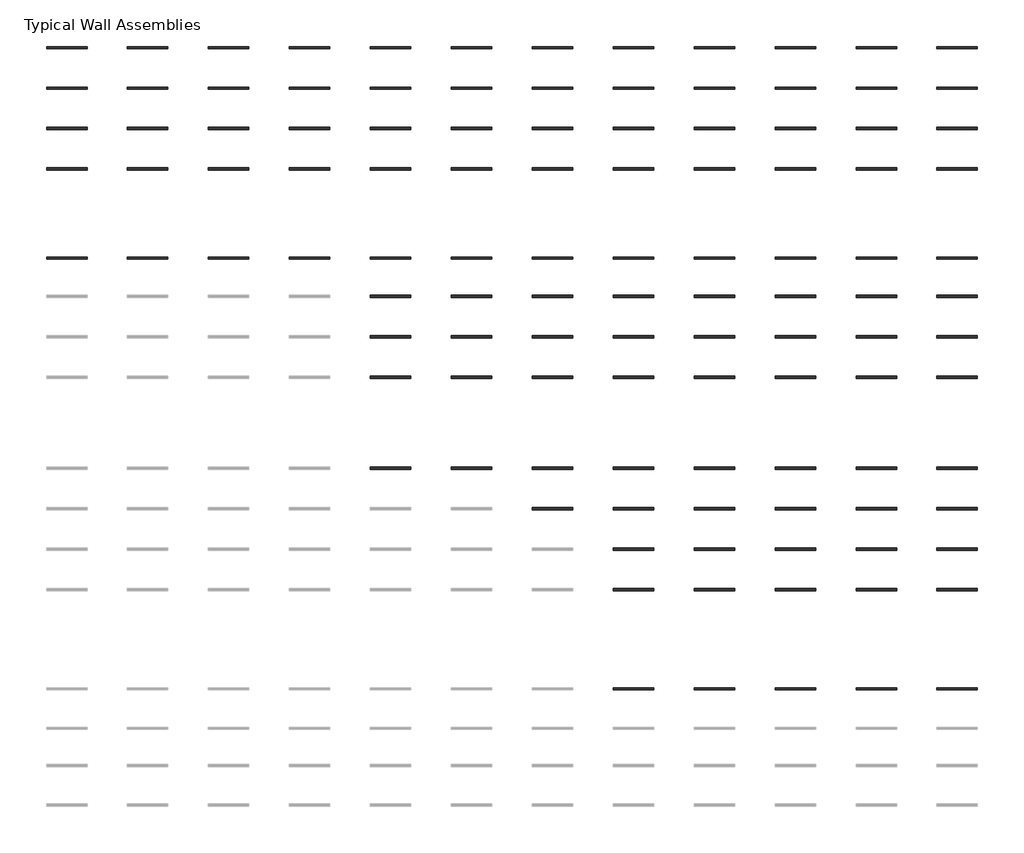
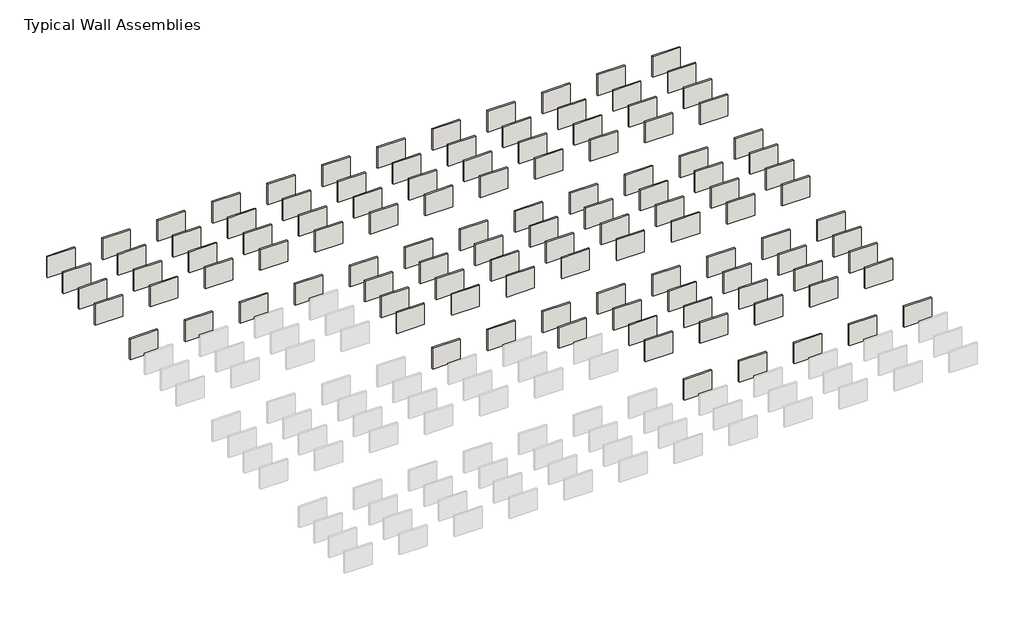
# One storey, part 3 of 3: 113 walls.
"""IFC4 building model written with IfcOpenShell, lengths in millimetres."""

from ifc_helpers import new_model, si_unit, frame, origin, place, context, project, spatial, polyline, outline, extrude, element, save

model = new_model("IFC4")

# Units and contexts
model_context = context("Model", 3, world=origin())
ifc_project = project(units=[si_unit("LENGTHUNIT", "METRE", prefix="MILLI")], contexts=[model_context])

# Site, building, storey
site = spatial("IfcSite", under=ifc_project)
building = spatial("IfcBuilding", under=site)
storey = spatial("IfcBuildingStorey", under=building, Name="Typical Wall Assemblies", Elevation=6096.0)

# Walls
placement = place(None, origin())
element("IfcWall", 1, at=placement, inside=storey, context=model_context, shape_type="SweptSolid", body=[
    extrude(outline(polyline([(-21027.125069, 17121.303248), (-24075.125069, 17121.303248), (-24075.125069, 17303.8657469), (-21027.125069, 17303.8657469), (-21027.125069, 17121.303248)])), frame((0.0, 0.0, 6096.0), z_axis=(0.0, 0.0, 1.0), x_axis=(1.0, 0.0, 0.0)), (0.0, 0.0, 1.0), 2438.4),
])
element("IfcWall", 2, at=placement, inside=storey, context=model_context, shape_type="SweptSolid", body=[
    extrude(outline(polyline([(-14931.125069, 17121.303248), (-17979.125069, 17121.303248), (-17979.125069, 17303.8657469), (-14931.125069, 17303.8657469), (-14931.125069, 17121.303248)])), frame((0.0, 0.0, 6096.0), z_axis=(0.0, 0.0, 1.0), x_axis=(1.0, 0.0, 0.0)), (0.0, 0.0, 1.0), 2438.4),
])
element("IfcWall", 3, at=placement, inside=storey, context=model_context, shape_type="SweptSolid", body=[
    extrude(outline(polyline([(-8835.125069, 17121.303248), (-11883.125069, 17121.303248), (-11883.125069, 17303.8657469), (-8835.125069, 17303.8657469), (-8835.125069, 17121.303248)])), frame((0.0, 0.0, 6096.0), z_axis=(0.0, 0.0, 1.0), x_axis=(1.0, 0.0, 0.0)), (0.0, 0.0, 1.0), 2438.4),
])
element("IfcWall", 4, at=placement, inside=storey, context=model_context, shape_type="SweptSolid", body=[
    extrude(outline(polyline([(-2739.125069, 17121.303248), (-5787.125069, 17121.303248), (-5787.125069, 17303.8657469), (-2739.125069, 17303.8657469), (-2739.125069, 17121.303248)])), frame((0.0, 0.0, 6096.0), z_axis=(0.0, 0.0, 1.0), x_axis=(1.0, 0.0, 0.0)), (0.0, 0.0, 1.0), 2438.4),
])
element("IfcWall", 5, at=placement, inside=storey, context=model_context, shape_type="SweptSolid", body=[
    extrude(outline(polyline([(3356.874931, 17121.303248), (308.874931, 17121.303248), (308.874931, 17303.8657469), (3356.874931, 17303.8657469), (3356.874931, 17121.303248)])), frame((0.0, 0.0, 6096.0), z_axis=(0.0, 0.0, 1.0), x_axis=(1.0, 0.0, 0.0)), (0.0, 0.0, 1.0), 2438.4),
])
element("IfcWall", 6, at=placement, inside=storey, context=model_context, shape_type="SweptSolid", body=[
    extrude(outline(polyline([(9452.874931, 17121.303248), (6404.874931, 17121.303248), (6404.874931, 17303.8657469), (9452.874931, 17303.8657469), (9452.874931, 17121.303248)])), frame((0.0, 0.0, 6096.0), z_axis=(0.0, 0.0, 1.0), x_axis=(1.0, 0.0, 0.0)), (0.0, 0.0, 1.0), 2438.4),
])
element("IfcWall", 7, at=placement, inside=storey, context=model_context, shape_type="SweptSolid", body=[
    extrude(outline(polyline([(15548.874931, 17121.303248), (12500.874931, 17121.303248), (12500.874931, 17303.8657469), (15548.874931, 17303.8657469), (15548.874931, 17121.303248)])), frame((0.0, 0.0, 6096.0), z_axis=(0.0, 0.0, 1.0), x_axis=(1.0, 0.0, 0.0)), (0.0, 0.0, 1.0), 2438.4),
])
element("IfcWall", 8, at=placement, inside=storey, context=model_context, shape_type="SweptSolid", body=[
    extrude(outline(polyline([(21644.874931, 17121.303248), (18596.874931, 17121.303248), (18596.874931, 17303.8657469), (21644.874931, 17303.8657469), (21644.874931, 17121.303248)])), frame((0.0, 0.0, 6096.0), z_axis=(0.0, 0.0, 1.0), x_axis=(1.0, 0.0, 0.0)), (0.0, 0.0, 1.0), 2438.4),
])
element("IfcWall", 9, at=placement, inside=storey, context=model_context, shape_type="SweptSolid", body=[
    extrude(outline(polyline([(27740.874931, 17121.303248), (24692.874931, 17121.303248), (24692.874931, 17303.8657469), (27740.874931, 17303.8657469), (27740.874931, 17121.303248)])), frame((0.0, 0.0, 6096.0), z_axis=(0.0, 0.0, 1.0), x_axis=(1.0, 0.0, 0.0)), (0.0, 0.0, 1.0), 2438.4),
])
element("IfcWall", 10, at=placement, inside=storey, context=model_context, shape_type="SweptSolid", body=[
    extrude(outline(polyline([(33836.874931, 17121.303248), (30788.874931, 17121.303248), (30788.874931, 17303.8657469), (33836.874931, 17303.8657469), (33836.874931, 17121.303248)])), frame((0.0, 0.0, 6096.0), z_axis=(0.0, 0.0, 1.0), x_axis=(1.0, 0.0, 0.0)), (0.0, 0.0, 1.0), 2438.4),
])
element("IfcWall", 11, at=placement, inside=storey, context=model_context, shape_type="SweptSolid", body=[
    extrude(outline(polyline([(39932.874931, 17121.303248), (36884.874931, 17121.303248), (36884.874931, 17303.8657469), (39932.874931, 17303.8657469), (39932.874931, 17121.303248)])), frame((0.0, 0.0, 6096.0), z_axis=(0.0, 0.0, 1.0), x_axis=(1.0, 0.0, 0.0)), (0.0, 0.0, 1.0), 2438.4),
])
element("IfcWall", 12, at=placement, inside=storey, context=model_context, shape_type="SweptSolid", body=[
    extrude(outline(polyline([(46028.874931, 17121.303248), (42980.874931, 17121.303248), (42980.874931, 17303.8657469), (46028.874931, 17303.8657469), (46028.874931, 17121.303248)])), frame((0.0, 0.0, 6096.0), z_axis=(0.0, 0.0, 1.0), x_axis=(1.0, 0.0, 0.0)), (0.0, 0.0, 1.0), 2438.4),
])
element("IfcWall", 13, at=placement, inside=storey, context=model_context, shape_type="SweptSolid", body=[
    extrude(outline(polyline([(-21027.125069, 14073.303248), (-24075.125069, 14073.303248), (-24075.125069, 14255.8657469), (-21027.125069, 14255.8657469), (-21027.125069, 14073.303248)])), frame((0.0, 0.0, 6096.0), z_axis=(0.0, 0.0, 1.0), x_axis=(1.0, 0.0, 0.0)), (0.0, 0.0, 1.0), 2438.4),
])
element("IfcWall", 14, at=placement, inside=storey, context=model_context, shape_type="SweptSolid", body=[
    extrude(outline(polyline([(-21027.125069, 11025.303248), (-24075.125069, 11025.303248), (-24075.125069, 11207.8657469), (-21027.125069, 11207.8657469), (-21027.125069, 11025.303248)])), frame((0.0, 0.0, 6096.0), z_axis=(0.0, 0.0, 1.0), x_axis=(1.0, 0.0, 0.0)), (0.0, 0.0, 1.0), 2438.4),
])
element("IfcWall", 15, at=placement, inside=storey, context=model_context, shape_type="SweptSolid", body=[
    extrude(outline(polyline([(-21027.125069, 7977.303248), (-24075.125069, 7977.303248), (-24075.125069, 8159.8657469), (-21027.125069, 8159.8657469), (-21027.125069, 7977.303248)])), frame((0.0, 0.0, 6096.0), z_axis=(0.0, 0.0, 1.0), x_axis=(1.0, 0.0, 0.0)), (0.0, 0.0, 1.0), 2438.4),
])
element("IfcWall", 16, at=placement, inside=storey, context=model_context, shape_type="SweptSolid", body=[
    extrude(outline(polyline([(-21027.125069, 1271.703248), (-24075.125069, 1271.703248), (-24075.125069, 1454.2657469), (-21027.125069, 1454.2657469), (-21027.125069, 1271.703248)])), frame((0.0, 0.0, 6096.0), z_axis=(0.0, 0.0, 1.0), x_axis=(1.0, 0.0, 0.0)), (0.0, 0.0, 1.0), 2438.4),
])
element("IfcWall", 17, at=placement, inside=storey, context=model_context, shape_type="SweptSolid", body=[
    extrude(outline(polyline([(-14931.125069, 14073.303248), (-17979.125069, 14073.303248), (-17979.125069, 14255.8657469), (-14931.125069, 14255.8657469), (-14931.125069, 14073.303248)])), frame((0.0, 0.0, 6096.0), z_axis=(0.0, 0.0, 1.0), x_axis=(1.0, 0.0, 0.0)), (0.0, 0.0, 1.0), 2438.4),
])
element("IfcWall", 18, at=placement, inside=storey, context=model_context, shape_type="SweptSolid", body=[
    extrude(outline(polyline([(-8835.125069, 14073.303248), (-11883.125069, 14073.303248), (-11883.125069, 14255.8657469), (-8835.125069, 14255.8657469), (-8835.125069, 14073.303248)])), frame((0.0, 0.0, 6096.0), z_axis=(0.0, 0.0, 1.0), x_axis=(1.0, 0.0, 0.0)), (0.0, 0.0, 1.0), 2438.4),
])
element("IfcWall", 19, at=placement, inside=storey, context=model_context, shape_type="SweptSolid", body=[
    extrude(outline(polyline([(-2739.125069, 14073.303248), (-5787.125069, 14073.303248), (-5787.125069, 14255.8657469), (-2739.125069, 14255.8657469), (-2739.125069, 14073.303248)])), frame((0.0, 0.0, 6096.0), z_axis=(0.0, 0.0, 1.0), x_axis=(1.0, 0.0, 0.0)), (0.0, 0.0, 1.0), 2438.4),
])
element("IfcWall", 20, at=placement, inside=storey, context=model_context, shape_type="SweptSolid", body=[
    extrude(outline(polyline([(3356.874931, 14073.303248), (308.874931, 14073.303248), (308.874931, 14255.8657469), (3356.874931, 14255.8657469), (3356.874931, 14073.303248)])), frame((0.0, 0.0, 6096.0), z_axis=(0.0, 0.0, 1.0), x_axis=(1.0, 0.0, 0.0)), (0.0, 0.0, 1.0), 2438.4),
])
element("IfcWall", 21, at=placement, inside=storey, context=model_context, shape_type="SweptSolid", body=[
    extrude(outline(polyline([(9452.874931, 14073.303248), (6404.874931, 14073.303248), (6404.874931, 14255.8657469), (9452.874931, 14255.8657469), (9452.874931, 14073.303248)])), frame((0.0, 0.0, 6096.0), z_axis=(0.0, 0.0, 1.0), x_axis=(1.0, 0.0, 0.0)), (0.0, 0.0, 1.0), 2438.4),
])
element("IfcWall", 22, at=placement, inside=storey, context=model_context, shape_type="SweptSolid", body=[
    extrude(outline(polyline([(15548.874931, 14073.303248), (12500.874931, 14073.303248), (12500.874931, 14255.8657469), (15548.874931, 14255.8657469), (15548.874931, 14073.303248)])), frame((0.0, 0.0, 6096.0), z_axis=(0.0, 0.0, 1.0), x_axis=(1.0, 0.0, 0.0)), (0.0, 0.0, 1.0), 2438.4),
])
element("IfcWall", 23, at=placement, inside=storey, context=model_context, shape_type="SweptSolid", body=[
    extrude(outline(polyline([(21644.874931, 14073.303248), (18596.874931, 14073.303248), (18596.874931, 14255.8657469), (21644.874931, 14255.8657469), (21644.874931, 14073.303248)])), frame((0.0, 0.0, 6096.0), z_axis=(0.0, 0.0, 1.0), x_axis=(1.0, 0.0, 0.0)), (0.0, 0.0, 1.0), 2438.4),
])
element("IfcWall", 24, at=placement, inside=storey, context=model_context, shape_type="SweptSolid", body=[
    extrude(outline(polyline([(27740.874931, 14073.303248), (24692.874931, 14073.303248), (24692.874931, 14255.8657469), (27740.874931, 14255.8657469), (27740.874931, 14073.303248)])), frame((0.0, 0.0, 6096.0), z_axis=(0.0, 0.0, 1.0), x_axis=(1.0, 0.0, 0.0)), (0.0, 0.0, 1.0), 2438.4),
])
element("IfcWall", 25, at=placement, inside=storey, context=model_context, shape_type="SweptSolid", body=[
    extrude(outline(polyline([(33836.874931, 14073.303248), (30788.874931, 14073.303248), (30788.874931, 14255.8657469), (33836.874931, 14255.8657469), (33836.874931, 14073.303248)])), frame((0.0, 0.0, 6096.0), z_axis=(0.0, 0.0, 1.0), x_axis=(1.0, 0.0, 0.0)), (0.0, 0.0, 1.0), 2438.4),
])
element("IfcWall", 26, at=placement, inside=storey, context=model_context, shape_type="SweptSolid", body=[
    extrude(outline(polyline([(39932.874931, 14073.303248), (36884.874931, 14073.303248), (36884.874931, 14255.8657469), (39932.874931, 14255.8657469), (39932.874931, 14073.303248)])), frame((0.0, 0.0, 6096.0), z_axis=(0.0, 0.0, 1.0), x_axis=(1.0, 0.0, 0.0)), (0.0, 0.0, 1.0), 2438.4),
])
element("IfcWall", 27, at=placement, inside=storey, context=model_context, shape_type="SweptSolid", body=[
    extrude(outline(polyline([(46028.874931, 14073.303248), (42980.874931, 14073.303248), (42980.874931, 14255.8657469), (46028.874931, 14255.8657469), (46028.874931, 14073.303248)])), frame((0.0, 0.0, 6096.0), z_axis=(0.0, 0.0, 1.0), x_axis=(1.0, 0.0, 0.0)), (0.0, 0.0, 1.0), 2438.4),
])
element("IfcWall", 28, at=placement, inside=storey, context=model_context, shape_type="SweptSolid", body=[
    extrude(outline(polyline([(-14931.125069, 11025.303248), (-17979.125069, 11025.303248), (-17979.125069, 11207.8657469), (-14931.125069, 11207.8657469), (-14931.125069, 11025.303248)])), frame((0.0, 0.0, 6096.0), z_axis=(0.0, 0.0, 1.0), x_axis=(1.0, 0.0, 0.0)), (0.0, 0.0, 1.0), 2438.4),
])
element("IfcWall", 29, at=placement, inside=storey, context=model_context, shape_type="SweptSolid", body=[
    extrude(outline(polyline([(-8835.125069, 11025.303248), (-11883.125069, 11025.303248), (-11883.125069, 11207.8657469), (-8835.125069, 11207.8657469), (-8835.125069, 11025.303248)])), frame((0.0, 0.0, 6096.0), z_axis=(0.0, 0.0, 1.0), x_axis=(1.0, 0.0, 0.0)), (0.0, 0.0, 1.0), 2438.4),
])
element("IfcWall", 30, at=placement, inside=storey, context=model_context, shape_type="SweptSolid", body=[
    extrude(outline(polyline([(-2739.125069, 11025.303248), (-5787.125069, 11025.303248), (-5787.125069, 11207.8657469), (-2739.125069, 11207.8657469), (-2739.125069, 11025.303248)])), frame((0.0, 0.0, 6096.0), z_axis=(0.0, 0.0, 1.0), x_axis=(1.0, 0.0, 0.0)), (0.0, 0.0, 1.0), 2438.4),
])
element("IfcWall", 31, at=placement, inside=storey, context=model_context, shape_type="SweptSolid", body=[
    extrude(outline(polyline([(3356.874931, 11025.303248), (308.874931, 11025.303248), (308.874931, 11207.8657469), (3356.874931, 11207.8657469), (3356.874931, 11025.303248)])), frame((0.0, 0.0, 6096.0), z_axis=(0.0, 0.0, 1.0), x_axis=(1.0, 0.0, 0.0)), (0.0, 0.0, 1.0), 2438.4),
])
element("IfcWall", 32, at=placement, inside=storey, context=model_context, shape_type="SweptSolid", body=[
    extrude(outline(polyline([(9452.874931, 11025.303248), (6404.874931, 11025.303248), (6404.874931, 11207.8657469), (9452.874931, 11207.8657469), (9452.874931, 11025.303248)])), frame((0.0, 0.0, 6096.0), z_axis=(0.0, 0.0, 1.0), x_axis=(1.0, 0.0, 0.0)), (0.0, 0.0, 1.0), 2438.4),
])
element("IfcWall", 33, at=placement, inside=storey, context=model_context, shape_type="SweptSolid", body=[
    extrude(outline(polyline([(15548.874931, 11025.303248), (12500.874931, 11025.303248), (12500.874931, 11207.8657469), (15548.874931, 11207.8657469), (15548.874931, 11025.303248)])), frame((0.0, 0.0, 6096.0), z_axis=(0.0, 0.0, 1.0), x_axis=(1.0, 0.0, 0.0)), (0.0, 0.0, 1.0), 2438.4),
])
element("IfcWall", 34, at=placement, inside=storey, context=model_context, shape_type="SweptSolid", body=[
    extrude(outline(polyline([(21644.874931, 11025.303248), (18596.874931, 11025.303248), (18596.874931, 11207.8657469), (21644.874931, 11207.8657469), (21644.874931, 11025.303248)])), frame((0.0, 0.0, 6096.0), z_axis=(0.0, 0.0, 1.0), x_axis=(1.0, 0.0, 0.0)), (0.0, 0.0, 1.0), 2438.4),
])
element("IfcWall", 35, at=placement, inside=storey, context=model_context, shape_type="SweptSolid", body=[
    extrude(outline(polyline([(27740.874931, 11025.303248), (24692.874931, 11025.303248), (24692.874931, 11207.8657469), (27740.874931, 11207.8657469), (27740.874931, 11025.303248)])), frame((0.0, 0.0, 6096.0), z_axis=(0.0, 0.0, 1.0), x_axis=(1.0, 0.0, 0.0)), (0.0, 0.0, 1.0), 2438.4),
])
element("IfcWall", 36, at=placement, inside=storey, context=model_context, shape_type="SweptSolid", body=[
    extrude(outline(polyline([(33836.874931, 11025.303248), (30788.874931, 11025.303248), (30788.874931, 11207.8657469), (33836.874931, 11207.8657469), (33836.874931, 11025.303248)])), frame((0.0, 0.0, 6096.0), z_axis=(0.0, 0.0, 1.0), x_axis=(1.0, 0.0, 0.0)), (0.0, 0.0, 1.0), 2438.4),
])
element("IfcWall", 37, at=placement, inside=storey, context=model_context, shape_type="SweptSolid", body=[
    extrude(outline(polyline([(39932.874931, 11025.303248), (36884.874931, 11025.303248), (36884.874931, 11207.8657469), (39932.874931, 11207.8657469), (39932.874931, 11025.303248)])), frame((0.0, 0.0, 6096.0), z_axis=(0.0, 0.0, 1.0), x_axis=(1.0, 0.0, 0.0)), (0.0, 0.0, 1.0), 2438.4),
])
element("IfcWall", 38, at=placement, inside=storey, context=model_context, shape_type="SweptSolid", body=[
    extrude(outline(polyline([(46028.874931, 11025.303248), (42980.874931, 11025.303248), (42980.874931, 11207.8657469), (46028.874931, 11207.8657469), (46028.874931, 11025.303248)])), frame((0.0, 0.0, 6096.0), z_axis=(0.0, 0.0, 1.0), x_axis=(1.0, 0.0, 0.0)), (0.0, 0.0, 1.0), 2438.4),
])
element("IfcWall", 39, at=placement, inside=storey, context=model_context, shape_type="SweptSolid", body=[
    extrude(outline(polyline([(-14931.125069, 7977.303248), (-17979.125069, 7977.303248), (-17979.125069, 8159.8657469), (-14931.125069, 8159.8657469), (-14931.125069, 7977.303248)])), frame((0.0, 0.0, 6096.0), z_axis=(0.0, 0.0, 1.0), x_axis=(1.0, 0.0, 0.0)), (0.0, 0.0, 1.0), 2438.4),
])
element("IfcWall", 40, at=placement, inside=storey, context=model_context, shape_type="SweptSolid", body=[
    extrude(outline(polyline([(-8835.125069, 7977.303248), (-11883.125069, 7977.303248), (-11883.125069, 8159.8657469), (-8835.125069, 8159.8657469), (-8835.125069, 7977.303248)])), frame((0.0, 0.0, 6096.0), z_axis=(0.0, 0.0, 1.0), x_axis=(1.0, 0.0, 0.0)), (0.0, 0.0, 1.0), 2438.4),
])
element("IfcWall", 41, at=placement, inside=storey, context=model_context, shape_type="SweptSolid", body=[
    extrude(outline(polyline([(-2739.125069, 7977.303248), (-5787.125069, 7977.303248), (-5787.125069, 8159.8657469), (-2739.125069, 8159.8657469), (-2739.125069, 7977.303248)])), frame((0.0, 0.0, 6096.0), z_axis=(0.0, 0.0, 1.0), x_axis=(1.0, 0.0, 0.0)), (0.0, 0.0, 1.0), 2438.4),
])
element("IfcWall", 42, at=placement, inside=storey, context=model_context, shape_type="SweptSolid", body=[
    extrude(outline(polyline([(3356.874931, 7977.303248), (308.874931, 7977.303248), (308.874931, 8159.8657469), (3356.874931, 8159.8657469), (3356.874931, 7977.303248)])), frame((0.0, 0.0, 6096.0), z_axis=(0.0, 0.0, 1.0), x_axis=(1.0, 0.0, 0.0)), (0.0, 0.0, 1.0), 2438.4),
])
element("IfcWall", 43, at=placement, inside=storey, context=model_context, shape_type="SweptSolid", body=[
    extrude(outline(polyline([(9452.874931, 7977.303248), (6404.874931, 7977.303248), (6404.874931, 8159.8657469), (9452.874931, 8159.8657469), (9452.874931, 7977.303248)])), frame((0.0, 0.0, 6096.0), z_axis=(0.0, 0.0, 1.0), x_axis=(1.0, 0.0, 0.0)), (0.0, 0.0, 1.0), 2438.4),
])
element("IfcWall", 44, at=placement, inside=storey, context=model_context, shape_type="SweptSolid", body=[
    extrude(outline(polyline([(15548.874931, 7977.303248), (12500.874931, 7977.303248), (12500.874931, 8159.8657469), (15548.874931, 8159.8657469), (15548.874931, 7977.303248)])), frame((0.0, 0.0, 6096.0), z_axis=(0.0, 0.0, 1.0), x_axis=(1.0, 0.0, 0.0)), (0.0, 0.0, 1.0), 2438.4),
])
element("IfcWall", 45, at=placement, inside=storey, context=model_context, shape_type="SweptSolid", body=[
    extrude(outline(polyline([(21644.874931, 7977.303248), (18596.874931, 7977.303248), (18596.874931, 8159.8657469), (21644.874931, 8159.8657469), (21644.874931, 7977.303248)])), frame((0.0, 0.0, 6096.0), z_axis=(0.0, 0.0, 1.0), x_axis=(1.0, 0.0, 0.0)), (0.0, 0.0, 1.0), 2438.4),
])
element("IfcWall", 46, at=placement, inside=storey, context=model_context, shape_type="SweptSolid", body=[
    extrude(outline(polyline([(27740.874931, 7977.303248), (24692.874931, 7977.303248), (24692.874931, 8159.8657469), (27740.874931, 8159.8657469), (27740.874931, 7977.303248)])), frame((0.0, 0.0, 6096.0), z_axis=(0.0, 0.0, 1.0), x_axis=(1.0, 0.0, 0.0)), (0.0, 0.0, 1.0), 2438.4),
])
element("IfcWall", 47, at=placement, inside=storey, context=model_context, shape_type="SweptSolid", body=[
    extrude(outline(polyline([(33836.874931, 7977.303248), (30788.874931, 7977.303248), (30788.874931, 8159.8657469), (33836.874931, 8159.8657469), (33836.874931, 7977.303248)])), frame((0.0, 0.0, 6096.0), z_axis=(0.0, 0.0, 1.0), x_axis=(1.0, 0.0, 0.0)), (0.0, 0.0, 1.0), 2438.4),
])
element("IfcWall", 48, at=placement, inside=storey, context=model_context, shape_type="SweptSolid", body=[
    extrude(outline(polyline([(39932.874931, 7977.303248), (36884.874931, 7977.303248), (36884.874931, 8159.8657469), (39932.874931, 8159.8657469), (39932.874931, 7977.303248)])), frame((0.0, 0.0, 6096.0), z_axis=(0.0, 0.0, 1.0), x_axis=(1.0, 0.0, 0.0)), (0.0, 0.0, 1.0), 2438.4),
])
element("IfcWall", 49, at=placement, inside=storey, context=model_context, shape_type="SweptSolid", body=[
    extrude(outline(polyline([(46028.874931, 7977.303248), (42980.874931, 7977.303248), (42980.874931, 8159.8657469), (46028.874931, 8159.8657469), (46028.874931, 7977.303248)])), frame((0.0, 0.0, 6096.0), z_axis=(0.0, 0.0, 1.0), x_axis=(1.0, 0.0, 0.0)), (0.0, 0.0, 1.0), 2438.4),
])
element("IfcWall", 50, at=placement, inside=storey, context=model_context, shape_type="SweptSolid", body=[
    extrude(outline(polyline([(-14931.125069, 1271.703248), (-17979.125069, 1271.703248), (-17979.125069, 1454.2657469), (-14931.125069, 1454.2657469), (-14931.125069, 1271.703248)])), frame((0.0, 0.0, 6096.0), z_axis=(0.0, 0.0, 1.0), x_axis=(1.0, 0.0, 0.0)), (0.0, 0.0, 1.0), 2438.4),
])
element("IfcWall", 51, at=placement, inside=storey, context=model_context, shape_type="SweptSolid", body=[
    extrude(outline(polyline([(-8835.125069, 1271.703248), (-11883.125069, 1271.703248), (-11883.125069, 1454.2657469), (-8835.125069, 1454.2657469), (-8835.125069, 1271.703248)])), frame((0.0, 0.0, 6096.0), z_axis=(0.0, 0.0, 1.0), x_axis=(1.0, 0.0, 0.0)), (0.0, 0.0, 1.0), 2438.4),
])
element("IfcWall", 52, at=placement, inside=storey, context=model_context, shape_type="SweptSolid", body=[
    extrude(outline(polyline([(-2739.125069, 1271.703248), (-5787.125069, 1271.703248), (-5787.125069, 1454.2657469), (-2739.125069, 1454.2657469), (-2739.125069, 1271.703248)])), frame((0.0, 0.0, 6096.0), z_axis=(0.0, 0.0, 1.0), x_axis=(1.0, 0.0, 0.0)), (0.0, 0.0, 1.0), 2438.4),
])
element("IfcWall", 53, at=placement, inside=storey, context=model_context, shape_type="SweptSolid", body=[
    extrude(outline(polyline([(3356.874931, 1271.703248), (308.874931, 1271.703248), (308.874931, 1454.2657469), (3356.874931, 1454.2657469), (3356.874931, 1271.703248)])), frame((0.0, 0.0, 6096.0), z_axis=(0.0, 0.0, 1.0), x_axis=(1.0, 0.0, 0.0)), (0.0, 0.0, 1.0), 2438.4),
])
element("IfcWall", 54, at=placement, inside=storey, context=model_context, shape_type="SweptSolid", body=[
    extrude(outline(polyline([(9452.874931, 1271.703248), (6404.874931, 1271.703248), (6404.874931, 1454.2657469), (9452.874931, 1454.2657469), (9452.874931, 1271.703248)])), frame((0.0, 0.0, 6096.0), z_axis=(0.0, 0.0, 1.0), x_axis=(1.0, 0.0, 0.0)), (0.0, 0.0, 1.0), 2438.4),
])
element("IfcWall", 55, at=placement, inside=storey, context=model_context, shape_type="SweptSolid", body=[
    extrude(outline(polyline([(15548.874931, 1271.703248), (12500.874931, 1271.703248), (12500.874931, 1454.2657469), (15548.874931, 1454.2657469), (15548.874931, 1271.703248)])), frame((0.0, 0.0, 6096.0), z_axis=(0.0, 0.0, 1.0), x_axis=(1.0, 0.0, 0.0)), (0.0, 0.0, 1.0), 2438.4),
])
element("IfcWall", 56, at=placement, inside=storey, context=model_context, shape_type="SweptSolid", body=[
    extrude(outline(polyline([(21644.874931, 1271.703248), (18596.874931, 1271.703248), (18596.874931, 1454.2657469), (21644.874931, 1454.2657469), (21644.874931, 1271.703248)])), frame((0.0, 0.0, 6096.0), z_axis=(0.0, 0.0, 1.0), x_axis=(1.0, 0.0, 0.0)), (0.0, 0.0, 1.0), 2438.4),
])
element("IfcWall", 57, at=placement, inside=storey, context=model_context, shape_type="SweptSolid", body=[
    extrude(outline(polyline([(27740.874931, 1271.703248), (24692.874931, 1271.703248), (24692.874931, 1454.2657469), (27740.874931, 1454.2657469), (27740.874931, 1271.703248)])), frame((0.0, 0.0, 6096.0), z_axis=(0.0, 0.0, 1.0), x_axis=(1.0, 0.0, 0.0)), (0.0, 0.0, 1.0), 2438.4),
])
element("IfcWall", 58, at=placement, inside=storey, context=model_context, shape_type="SweptSolid", body=[
    extrude(outline(polyline([(33836.874931, 1271.703248), (30788.874931, 1271.703248), (30788.874931, 1454.2657469), (33836.874931, 1454.2657469), (33836.874931, 1271.703248)])), frame((0.0, 0.0, 6096.0), z_axis=(0.0, 0.0, 1.0), x_axis=(1.0, 0.0, 0.0)), (0.0, 0.0, 1.0), 2438.4),
])
element("IfcWall", 59, at=placement, inside=storey, context=model_context, shape_type="SweptSolid", body=[
    extrude(outline(polyline([(39932.874931, 1271.703248), (36884.874931, 1271.703248), (36884.874931, 1454.2657469), (39932.874931, 1454.2657469), (39932.874931, 1271.703248)])), frame((0.0, 0.0, 6096.0), z_axis=(0.0, 0.0, 1.0), x_axis=(1.0, 0.0, 0.0)), (0.0, 0.0, 1.0), 2438.4),
])
element("IfcWall", 60, at=placement, inside=storey, context=model_context, shape_type="SweptSolid", body=[
    extrude(outline(polyline([(46028.874931, 1271.703248), (42980.874931, 1271.703248), (42980.874931, 1454.2657469), (46028.874931, 1454.2657469), (46028.874931, 1271.703248)])), frame((0.0, 0.0, 6096.0), z_axis=(0.0, 0.0, 1.0), x_axis=(1.0, 0.0, 0.0)), (0.0, 0.0, 1.0), 2438.4),
])
element("IfcWall", 61, at=placement, inside=storey, context=model_context, shape_type="SweptSolid", body=[
    extrude(outline(polyline([(3356.874931, -1623.896752), (308.874931, -1623.896752), (308.874931, -1441.3342531), (3356.874931, -1441.3342531), (3356.874931, -1623.896752)])), frame((0.0, 0.0, 6096.0), z_axis=(0.0, 0.0, 1.0), x_axis=(1.0, 0.0, 0.0)), (0.0, 0.0, 1.0), 2438.4),
])
element("IfcWall", 62, at=placement, inside=storey, context=model_context, shape_type="SweptSolid", body=[
    extrude(outline(polyline([(9452.874931, -1623.896752), (6404.874931, -1623.896752), (6404.874931, -1441.3342531), (9452.874931, -1441.3342531), (9452.874931, -1623.896752)])), frame((0.0, 0.0, 6096.0), z_axis=(0.0, 0.0, 1.0), x_axis=(1.0, 0.0, 0.0)), (0.0, 0.0, 1.0), 2438.4),
])
element("IfcWall", 63, at=placement, inside=storey, context=model_context, shape_type="SweptSolid", body=[
    extrude(outline(polyline([(15548.874931, -1623.896752), (12500.874931, -1623.896752), (12500.874931, -1441.3342531), (15548.874931, -1441.3342531), (15548.874931, -1623.896752)])), frame((0.0, 0.0, 6096.0), z_axis=(0.0, 0.0, 1.0), x_axis=(1.0, 0.0, 0.0)), (0.0, 0.0, 1.0), 2438.4),
])
element("IfcWall", 64, at=placement, inside=storey, context=model_context, shape_type="SweptSolid", body=[
    extrude(outline(polyline([(21644.874931, -1623.896752), (18596.874931, -1623.896752), (18596.874931, -1441.3342531), (21644.874931, -1441.3342531), (21644.874931, -1623.896752)])), frame((0.0, 0.0, 6096.0), z_axis=(0.0, 0.0, 1.0), x_axis=(1.0, 0.0, 0.0)), (0.0, 0.0, 1.0), 2438.4),
])
element("IfcWall", 65, at=placement, inside=storey, context=model_context, shape_type="SweptSolid", body=[
    extrude(outline(polyline([(27740.874931, -1623.896752), (24692.874931, -1623.896752), (24692.874931, -1441.3342531), (27740.874931, -1441.3342531), (27740.874931, -1623.896752)])), frame((0.0, 0.0, 6096.0), z_axis=(0.0, 0.0, 1.0), x_axis=(1.0, 0.0, 0.0)), (0.0, 0.0, 1.0), 2438.4),
])
element("IfcWall", 66, at=placement, inside=storey, context=model_context, shape_type="SweptSolid", body=[
    extrude(outline(polyline([(33836.874931, -1623.896752), (30788.874931, -1623.896752), (30788.874931, -1441.3342531), (33836.874931, -1441.3342531), (33836.874931, -1623.896752)])), frame((0.0, 0.0, 6096.0), z_axis=(0.0, 0.0, 1.0), x_axis=(1.0, 0.0, 0.0)), (0.0, 0.0, 1.0), 2438.4),
])
element("IfcWall", 67, at=placement, inside=storey, context=model_context, shape_type="SweptSolid", body=[
    extrude(outline(polyline([(39932.874931, -1623.896752), (36884.874931, -1623.896752), (36884.874931, -1441.3342531), (39932.874931, -1441.3342531), (39932.874931, -1623.896752)])), frame((0.0, 0.0, 6096.0), z_axis=(0.0, 0.0, 1.0), x_axis=(1.0, 0.0, 0.0)), (0.0, 0.0, 1.0), 2438.4),
])
element("IfcWall", 68, at=placement, inside=storey, context=model_context, shape_type="SweptSolid", body=[
    extrude(outline(polyline([(46028.874931, -1623.896752), (42980.874931, -1623.896752), (42980.874931, -1441.3342531), (46028.874931, -1441.3342531), (46028.874931, -1623.896752)])), frame((0.0, 0.0, 6096.0), z_axis=(0.0, 0.0, 1.0), x_axis=(1.0, 0.0, 0.0)), (0.0, 0.0, 1.0), 2438.4),
])
element("IfcWall", 69, at=placement, inside=storey, context=model_context, shape_type="SweptSolid", body=[
    extrude(outline(polyline([(3356.874931, -4671.896752), (308.874931, -4671.896752), (308.874931, -4489.3342531), (3356.874931, -4489.3342531), (3356.874931, -4671.896752)])), frame((0.0, 0.0, 6096.0), z_axis=(0.0, 0.0, 1.0), x_axis=(1.0, 0.0, 0.0)), (0.0, 0.0, 1.0), 2438.4),
])
element("IfcWall", 70, at=placement, inside=storey, context=model_context, shape_type="SweptSolid", body=[
    extrude(outline(polyline([(9452.874931, -4671.896752), (6404.874931, -4671.896752), (6404.874931, -4489.3342531), (9452.874931, -4489.3342531), (9452.874931, -4671.896752)])), frame((0.0, 0.0, 6096.0), z_axis=(0.0, 0.0, 1.0), x_axis=(1.0, 0.0, 0.0)), (0.0, 0.0, 1.0), 2438.4),
])
element("IfcWall", 71, at=placement, inside=storey, context=model_context, shape_type="SweptSolid", body=[
    extrude(outline(polyline([(15548.874931, -4671.896752), (12500.874931, -4671.896752), (12500.874931, -4489.3342531), (15548.874931, -4489.3342531), (15548.874931, -4671.896752)])), frame((0.0, 0.0, 6096.0), z_axis=(0.0, 0.0, 1.0), x_axis=(1.0, 0.0, 0.0)), (0.0, 0.0, 1.0), 2438.4),
])
element("IfcWall", 72, at=placement, inside=storey, context=model_context, shape_type="SweptSolid", body=[
    extrude(outline(polyline([(21644.874931, -4671.896752), (18596.874931, -4671.896752), (18596.874931, -4489.3342531), (21644.874931, -4489.3342531), (21644.874931, -4671.896752)])), frame((0.0, 0.0, 6096.0), z_axis=(0.0, 0.0, 1.0), x_axis=(1.0, 0.0, 0.0)), (0.0, 0.0, 1.0), 2438.4),
])
element("IfcWall", 73, at=placement, inside=storey, context=model_context, shape_type="SweptSolid", body=[
    extrude(outline(polyline([(27740.874931, -4671.896752), (24692.874931, -4671.896752), (24692.874931, -4489.3342531), (27740.874931, -4489.3342531), (27740.874931, -4671.896752)])), frame((0.0, 0.0, 6096.0), z_axis=(0.0, 0.0, 1.0), x_axis=(1.0, 0.0, 0.0)), (0.0, 0.0, 1.0), 2438.4),
])
element("IfcWall", 74, at=placement, inside=storey, context=model_context, shape_type="SweptSolid", body=[
    extrude(outline(polyline([(33836.874931, -4671.896752), (30788.874931, -4671.896752), (30788.874931, -4489.3342531), (33836.874931, -4489.3342531), (33836.874931, -4671.896752)])), frame((0.0, 0.0, 6096.0), z_axis=(0.0, 0.0, 1.0), x_axis=(1.0, 0.0, 0.0)), (0.0, 0.0, 1.0), 2438.4),
])
element("IfcWall", 75, at=placement, inside=storey, context=model_context, shape_type="SweptSolid", body=[
    extrude(outline(polyline([(39932.874931, -4671.896752), (36884.874931, -4671.896752), (36884.874931, -4489.3342531), (39932.874931, -4489.3342531), (39932.874931, -4671.896752)])), frame((0.0, 0.0, 6096.0), z_axis=(0.0, 0.0, 1.0), x_axis=(1.0, 0.0, 0.0)), (0.0, 0.0, 1.0), 2438.4),
])
element("IfcWall", 76, at=placement, inside=storey, context=model_context, shape_type="SweptSolid", body=[
    extrude(outline(polyline([(46028.874931, -4671.896752), (42980.874931, -4671.896752), (42980.874931, -4489.3342531), (46028.874931, -4489.3342531), (46028.874931, -4671.896752)])), frame((0.0, 0.0, 6096.0), z_axis=(0.0, 0.0, 1.0), x_axis=(1.0, 0.0, 0.0)), (0.0, 0.0, 1.0), 2438.4),
])
element("IfcWall", 77, at=placement, inside=storey, context=model_context, shape_type="SweptSolid", body=[
    extrude(outline(polyline([(3356.874931, -7719.896752), (308.874931, -7719.896752), (308.874931, -7537.3342531), (3356.874931, -7537.3342531), (3356.874931, -7719.896752)])), frame((0.0, 0.0, 6096.0), z_axis=(0.0, 0.0, 1.0), x_axis=(1.0, 0.0, 0.0)), (0.0, 0.0, 1.0), 2438.4),
])
element("IfcWall", 78, at=placement, inside=storey, context=model_context, shape_type="SweptSolid", body=[
    extrude(outline(polyline([(9452.874931, -7719.896752), (6404.874931, -7719.896752), (6404.874931, -7537.3342531), (9452.874931, -7537.3342531), (9452.874931, -7719.896752)])), frame((0.0, 0.0, 6096.0), z_axis=(0.0, 0.0, 1.0), x_axis=(1.0, 0.0, 0.0)), (0.0, 0.0, 1.0), 2438.4),
])
element("IfcWall", 79, at=placement, inside=storey, context=model_context, shape_type="SweptSolid", body=[
    extrude(outline(polyline([(15548.874931, -7719.896752), (12500.874931, -7719.896752), (12500.874931, -7537.3342531), (15548.874931, -7537.3342531), (15548.874931, -7719.896752)])), frame((0.0, 0.0, 6096.0), z_axis=(0.0, 0.0, 1.0), x_axis=(1.0, 0.0, 0.0)), (0.0, 0.0, 1.0), 2438.4),
])
element("IfcWall", 80, at=placement, inside=storey, context=model_context, shape_type="SweptSolid", body=[
    extrude(outline(polyline([(21644.874931, -7719.896752), (18596.874931, -7719.896752), (18596.874931, -7537.3342531), (21644.874931, -7537.3342531), (21644.874931, -7719.896752)])), frame((0.0, 0.0, 6096.0), z_axis=(0.0, 0.0, 1.0), x_axis=(1.0, 0.0, 0.0)), (0.0, 0.0, 1.0), 2438.4),
])
element("IfcWall", 81, at=placement, inside=storey, context=model_context, shape_type="SweptSolid", body=[
    extrude(outline(polyline([(27740.874931, -7719.896752), (24692.874931, -7719.896752), (24692.874931, -7537.3342531), (27740.874931, -7537.3342531), (27740.874931, -7719.896752)])), frame((0.0, 0.0, 6096.0), z_axis=(0.0, 0.0, 1.0), x_axis=(1.0, 0.0, 0.0)), (0.0, 0.0, 1.0), 2438.4),
])
element("IfcWall", 82, at=placement, inside=storey, context=model_context, shape_type="SweptSolid", body=[
    extrude(outline(polyline([(33836.874931, -7719.896752), (30788.874931, -7719.896752), (30788.874931, -7537.3342531), (33836.874931, -7537.3342531), (33836.874931, -7719.896752)])), frame((0.0, 0.0, 6096.0), z_axis=(0.0, 0.0, 1.0), x_axis=(1.0, 0.0, 0.0)), (0.0, 0.0, 1.0), 2438.4),
])
element("IfcWall", 83, at=placement, inside=storey, context=model_context, shape_type="SweptSolid", body=[
    extrude(outline(polyline([(39932.874931, -7719.896752), (36884.874931, -7719.896752), (36884.874931, -7537.3342531), (39932.874931, -7537.3342531), (39932.874931, -7719.896752)])), frame((0.0, 0.0, 6096.0), z_axis=(0.0, 0.0, 1.0), x_axis=(1.0, 0.0, 0.0)), (0.0, 0.0, 1.0), 2438.4),
])
element("IfcWall", 84, at=placement, inside=storey, context=model_context, shape_type="SweptSolid", body=[
    extrude(outline(polyline([(46028.874931, -7719.896752), (42980.874931, -7719.896752), (42980.874931, -7537.3342531), (46028.874931, -7537.3342531), (46028.874931, -7719.896752)])), frame((0.0, 0.0, 6096.0), z_axis=(0.0, 0.0, 1.0), x_axis=(1.0, 0.0, 0.0)), (0.0, 0.0, 1.0), 2438.4),
])
element("IfcWall", 85, at=placement, inside=storey, context=model_context, shape_type="SweptSolid", body=[
    extrude(outline(polyline([(3356.874931, -14579.484252), (308.874931, -14579.484252), (308.874931, -14393.746753), (3356.874931, -14393.746753), (3356.874931, -14579.484252)])), frame((0.0, 0.0, 6096.0), z_axis=(0.0, 0.0, 1.0), x_axis=(1.0, 0.0, 0.0)), (0.0, 0.0, 1.0), 2438.4),
])
element("IfcWall", 86, at=placement, inside=storey, context=model_context, shape_type="SweptSolid", body=[
    extrude(outline(polyline([(9452.874931, -14579.484252), (6404.874931, -14579.484252), (6404.874931, -14393.746753), (9452.874931, -14393.746753), (9452.874931, -14579.484252)])), frame((0.0, 0.0, 6096.0), z_axis=(0.0, 0.0, 1.0), x_axis=(1.0, 0.0, 0.0)), (0.0, 0.0, 1.0), 2438.4),
])
element("IfcWall", 87, at=placement, inside=storey, context=model_context, shape_type="SweptSolid", body=[
    extrude(outline(polyline([(15548.874931, -14579.484252), (12500.874931, -14579.484252), (12500.874931, -14393.746753), (15548.874931, -14393.746753), (15548.874931, -14579.484252)])), frame((0.0, 0.0, 6096.0), z_axis=(0.0, 0.0, 1.0), x_axis=(1.0, 0.0, 0.0)), (0.0, 0.0, 1.0), 2438.4),
])
element("IfcWall", 88, at=placement, inside=storey, context=model_context, shape_type="SweptSolid", body=[
    extrude(outline(polyline([(21644.874931, -14579.484252), (18596.874931, -14579.484252), (18596.874931, -14393.746753), (21644.874931, -14393.746753), (21644.874931, -14579.484252)])), frame((0.0, 0.0, 6096.0), z_axis=(0.0, 0.0, 1.0), x_axis=(1.0, 0.0, 0.0)), (0.0, 0.0, 1.0), 2438.4),
])
element("IfcWall", 89, at=placement, inside=storey, context=model_context, shape_type="SweptSolid", body=[
    extrude(outline(polyline([(27740.874931, -14579.484252), (24692.874931, -14579.484252), (24692.874931, -14393.746753), (27740.874931, -14393.746753), (27740.874931, -14579.484252)])), frame((0.0, 0.0, 6096.0), z_axis=(0.0, 0.0, 1.0), x_axis=(1.0, 0.0, 0.0)), (0.0, 0.0, 1.0), 2438.4),
])
element("IfcWall", 90, at=placement, inside=storey, context=model_context, shape_type="SweptSolid", body=[
    extrude(outline(polyline([(33836.874931, -14579.484252), (30788.874931, -14579.484252), (30788.874931, -14393.746753), (33836.874931, -14393.746753), (33836.874931, -14579.484252)])), frame((0.0, 0.0, 6096.0), z_axis=(0.0, 0.0, 1.0), x_axis=(1.0, 0.0, 0.0)), (0.0, 0.0, 1.0), 2438.4),
])
element("IfcWall", 91, at=placement, inside=storey, context=model_context, shape_type="SweptSolid", body=[
    extrude(outline(polyline([(39932.874931, -14579.484252), (36884.874931, -14579.484252), (36884.874931, -14393.746753), (39932.874931, -14393.746753), (39932.874931, -14579.484252)])), frame((0.0, 0.0, 6096.0), z_axis=(0.0, 0.0, 1.0), x_axis=(1.0, 0.0, 0.0)), (0.0, 0.0, 1.0), 2438.4),
])
element("IfcWall", 92, at=placement, inside=storey, context=model_context, shape_type="SweptSolid", body=[
    extrude(outline(polyline([(46028.874931, -14579.484252), (42980.874931, -14579.484252), (42980.874931, -14393.746753), (46028.874931, -14393.746753), (46028.874931, -14579.484252)])), frame((0.0, 0.0, 6096.0), z_axis=(0.0, 0.0, 1.0), x_axis=(1.0, 0.0, 0.0)), (0.0, 0.0, 1.0), 2438.4),
])
element("IfcWall", 93, at=placement, inside=storey, context=model_context, shape_type="SweptSolid", body=[
    extrude(outline(polyline([(15548.874931, -17627.484252), (12500.874931, -17627.484252), (12500.874931, -17441.746753), (15548.874931, -17441.746753), (15548.874931, -17627.484252)])), frame((0.0, 0.0, 6096.0), z_axis=(0.0, 0.0, 1.0), x_axis=(1.0, 0.0, 0.0)), (0.0, 0.0, 1.0), 2438.4),
])
element("IfcWall", 94, at=placement, inside=storey, context=model_context, shape_type="SweptSolid", body=[
    extrude(outline(polyline([(21644.874931, -17627.484252), (18596.874931, -17627.484252), (18596.874931, -17441.746753), (21644.874931, -17441.746753), (21644.874931, -17627.484252)])), frame((0.0, 0.0, 6096.0), z_axis=(0.0, 0.0, 1.0), x_axis=(1.0, 0.0, 0.0)), (0.0, 0.0, 1.0), 2438.4),
])
element("IfcWall", 95, at=placement, inside=storey, context=model_context, shape_type="SweptSolid", body=[
    extrude(outline(polyline([(27740.874931, -17627.484252), (24692.874931, -17627.484252), (24692.874931, -17441.746753), (27740.874931, -17441.746753), (27740.874931, -17627.484252)])), frame((0.0, 0.0, 6096.0), z_axis=(0.0, 0.0, 1.0), x_axis=(1.0, 0.0, 0.0)), (0.0, 0.0, 1.0), 2438.4),
])
element("IfcWall", 96, at=placement, inside=storey, context=model_context, shape_type="SweptSolid", body=[
    extrude(outline(polyline([(33836.874931, -17627.484252), (30788.874931, -17627.484252), (30788.874931, -17441.746753), (33836.874931, -17441.746753), (33836.874931, -17627.484252)])), frame((0.0, 0.0, 6096.0), z_axis=(0.0, 0.0, 1.0), x_axis=(1.0, 0.0, 0.0)), (0.0, 0.0, 1.0), 2438.4),
])
element("IfcWall", 97, at=placement, inside=storey, context=model_context, shape_type="SweptSolid", body=[
    extrude(outline(polyline([(39932.874931, -17627.484252), (36884.874931, -17627.484252), (36884.874931, -17441.746753), (39932.874931, -17441.746753), (39932.874931, -17627.484252)])), frame((0.0, 0.0, 6096.0), z_axis=(0.0, 0.0, 1.0), x_axis=(1.0, 0.0, 0.0)), (0.0, 0.0, 1.0), 2438.4),
])
element("IfcWall", 98, at=placement, inside=storey, context=model_context, shape_type="SweptSolid", body=[
    extrude(outline(polyline([(46028.874931, -17627.484252), (42980.874931, -17627.484252), (42980.874931, -17441.746753), (46028.874931, -17441.746753), (46028.874931, -17627.484252)])), frame((0.0, 0.0, 6096.0), z_axis=(0.0, 0.0, 1.0), x_axis=(1.0, 0.0, 0.0)), (0.0, 0.0, 1.0), 2438.4),
])
element("IfcWall", 99, at=placement, inside=storey, context=model_context, shape_type="SweptSolid", body=[
    extrude(outline(polyline([(21644.874931, -20675.484252), (18596.874931, -20675.484252), (18596.874931, -20489.746753), (21644.874931, -20489.746753), (21644.874931, -20675.484252)])), frame((0.0, 0.0, 6096.0), z_axis=(0.0, 0.0, 1.0), x_axis=(1.0, 0.0, 0.0)), (0.0, 0.0, 1.0), 2438.4),
])
element("IfcWall", 100, at=placement, inside=storey, context=model_context, shape_type="SweptSolid", body=[
    extrude(outline(polyline([(27740.874931, -20675.484252), (24692.874931, -20675.484252), (24692.874931, -20489.746753), (27740.874931, -20489.746753), (27740.874931, -20675.484252)])), frame((0.0, 0.0, 6096.0), z_axis=(0.0, 0.0, 1.0), x_axis=(1.0, 0.0, 0.0)), (0.0, 0.0, 1.0), 2438.4),
])
element("IfcWall", 101, at=placement, inside=storey, context=model_context, shape_type="SweptSolid", body=[
    extrude(outline(polyline([(33836.874931, -20675.484252), (30788.874931, -20675.484252), (30788.874931, -20489.746753), (33836.874931, -20489.746753), (33836.874931, -20675.484252)])), frame((0.0, 0.0, 6096.0), z_axis=(0.0, 0.0, 1.0), x_axis=(1.0, 0.0, 0.0)), (0.0, 0.0, 1.0), 2438.4),
])
element("IfcWall", 102, at=placement, inside=storey, context=model_context, shape_type="SweptSolid", body=[
    extrude(outline(polyline([(39932.874931, -20675.484252), (36884.874931, -20675.484252), (36884.874931, -20489.746753), (39932.874931, -20489.746753), (39932.874931, -20675.484252)])), frame((0.0, 0.0, 6096.0), z_axis=(0.0, 0.0, 1.0), x_axis=(1.0, 0.0, 0.0)), (0.0, 0.0, 1.0), 2438.4),
])
element("IfcWall", 103, at=placement, inside=storey, context=model_context, shape_type="SweptSolid", body=[
    extrude(outline(polyline([(46028.874931, -20675.484252), (42980.874931, -20675.484252), (42980.874931, -20489.746753), (46028.874931, -20489.746753), (46028.874931, -20675.484252)])), frame((0.0, 0.0, 6096.0), z_axis=(0.0, 0.0, 1.0), x_axis=(1.0, 0.0, 0.0)), (0.0, 0.0, 1.0), 2438.4),
])
element("IfcWall", 104, at=placement, inside=storey, context=model_context, shape_type="SweptSolid", body=[
    extrude(outline(polyline([(21644.874931, -23723.484252), (18596.874931, -23723.484252), (18596.874931, -23537.746753), (21644.874931, -23537.746753), (21644.874931, -23723.484252)])), frame((0.0, 0.0, 6096.0), z_axis=(0.0, 0.0, 1.0), x_axis=(1.0, 0.0, 0.0)), (0.0, 0.0, 1.0), 2438.4),
])
element("IfcWall", 105, at=placement, inside=storey, context=model_context, shape_type="SweptSolid", body=[
    extrude(outline(polyline([(27740.874931, -23723.484252), (24692.874931, -23723.484252), (24692.874931, -23537.746753), (27740.874931, -23537.746753), (27740.874931, -23723.484252)])), frame((0.0, 0.0, 6096.0), z_axis=(0.0, 0.0, 1.0), x_axis=(1.0, 0.0, 0.0)), (0.0, 0.0, 1.0), 2438.4),
])
element("IfcWall", 106, at=placement, inside=storey, context=model_context, shape_type="SweptSolid", body=[
    extrude(outline(polyline([(33836.874931, -23723.484252), (30788.874931, -23723.484252), (30788.874931, -23537.746753), (33836.874931, -23537.746753), (33836.874931, -23723.484252)])), frame((0.0, 0.0, 6096.0), z_axis=(0.0, 0.0, 1.0), x_axis=(1.0, 0.0, 0.0)), (0.0, 0.0, 1.0), 2438.4),
])
element("IfcWall", 107, at=placement, inside=storey, context=model_context, shape_type="SweptSolid", body=[
    extrude(outline(polyline([(39932.874931, -23723.484252), (36884.874931, -23723.484252), (36884.874931, -23537.746753), (39932.874931, -23537.746753), (39932.874931, -23723.484252)])), frame((0.0, 0.0, 6096.0), z_axis=(0.0, 0.0, 1.0), x_axis=(1.0, 0.0, 0.0)), (0.0, 0.0, 1.0), 2438.4),
])
element("IfcWall", 108, at=placement, inside=storey, context=model_context, shape_type="SweptSolid", body=[
    extrude(outline(polyline([(46028.874931, -23723.484252), (42980.874931, -23723.484252), (42980.874931, -23537.746753), (46028.874931, -23537.746753), (46028.874931, -23723.484252)])), frame((0.0, 0.0, 6096.0), z_axis=(0.0, 0.0, 1.0), x_axis=(1.0, 0.0, 0.0)), (0.0, 0.0, 1.0), 2438.4),
])
element("IfcWall", 109, at=placement, inside=storey, context=model_context, shape_type="SweptSolid", body=[
    extrude(outline(polyline([(21644.874931, -31190.290502), (18596.874931, -31190.290502), (18596.874931, -31006.140503), (21644.874931, -31006.140503), (21644.874931, -31190.290502)])), frame((0.0, 0.0, 6096.0), z_axis=(0.0, 0.0, 1.0), x_axis=(1.0, 0.0, 0.0)), (0.0, 0.0, 1.0), 2438.4),
])
element("IfcWall", 110, at=placement, inside=storey, context=model_context, shape_type="SweptSolid", body=[
    extrude(outline(polyline([(27740.874931, -31190.290502), (24692.874931, -31190.290502), (24692.874931, -31006.140503), (27740.874931, -31006.140503), (27740.874931, -31190.290502)])), frame((0.0, 0.0, 6096.0), z_axis=(0.0, 0.0, 1.0), x_axis=(1.0, 0.0, 0.0)), (0.0, 0.0, 1.0), 2438.4),
])
element("IfcWall", 111, at=placement, inside=storey, context=model_context, shape_type="SweptSolid", body=[
    extrude(outline(polyline([(33836.874931, -31190.290502), (30788.874931, -31190.290502), (30788.874931, -31006.140503), (33836.874931, -31006.140503), (33836.874931, -31190.290502)])), frame((0.0, 0.0, 6096.0), z_axis=(0.0, 0.0, 1.0), x_axis=(1.0, 0.0, 0.0)), (0.0, 0.0, 1.0), 2438.4),
])
element("IfcWall", 112, at=placement, inside=storey, context=model_context, shape_type="SweptSolid", body=[
    extrude(outline(polyline([(39932.874931, -31190.290502), (36884.874931, -31190.290502), (36884.874931, -31006.140503), (39932.874931, -31006.140503), (39932.874931, -31190.290502)])), frame((0.0, 0.0, 6096.0), z_axis=(0.0, 0.0, 1.0), x_axis=(1.0, 0.0, 0.0)), (0.0, 0.0, 1.0), 2438.4),
])
element("IfcWall", 113, at=placement, inside=storey, context=model_context, shape_type="SweptSolid", body=[
    extrude(outline(polyline([(46028.874931, -31190.290502), (42980.874931, -31190.290502), (42980.874931, -31006.140503), (46028.874931, -31006.140503), (46028.874931, -31190.290502)])), frame((0.0, 0.0, 6096.0), z_axis=(0.0, 0.0, 1.0), x_axis=(1.0, 0.0, 0.0)), (0.0, 0.0, 1.0), 2438.4),
])

save(model, "model.ifc")
